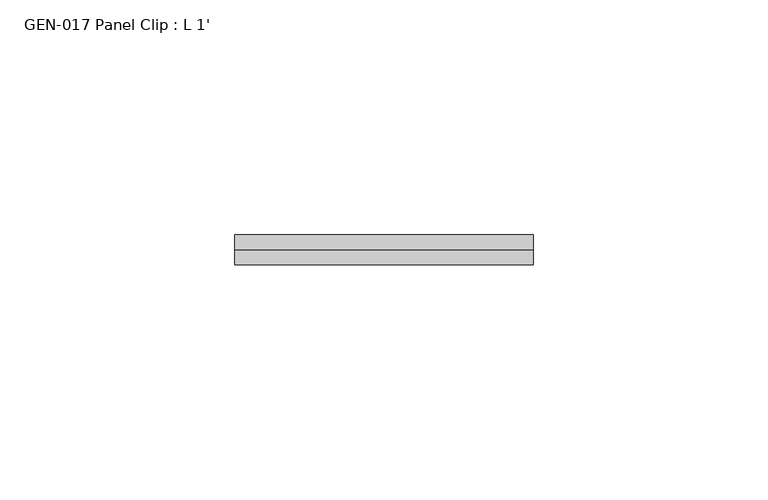
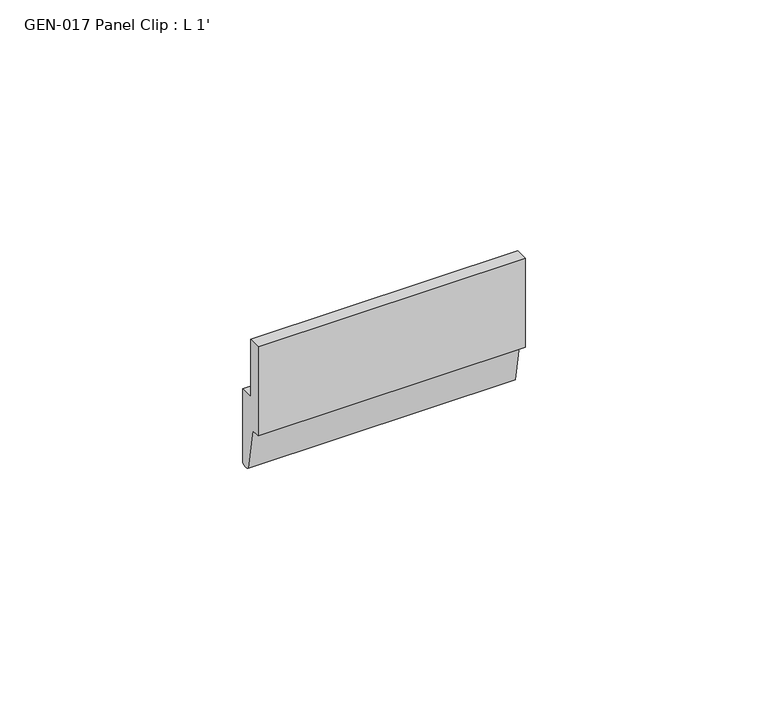
"""IFC4 building model written with IfcOpenShell, lengths in millimetres: proxy geometry, GEN-017 Panel Clip : L 1'."""

from ifc_helpers import new_model, si_unit, point, frame, frame_2d, origin, place, context, project, spatial, polyline, circle_curve, trimmed, segment, composite_curve, outline, extrude, source, transform, mapped, element, save


def gen_017_panel_clip_l_1_fe14be19(model_context):
    return source(origin(), model_context, "Body", "SweptSolid", [
        extrude(outline(composite_curve([segment(polyline([(0.8523814, -16.5581473), (-0.9585924, -5.9820604), (-3.1737506, -5.9820604), (-3.1737506, 16.4920635), (-0.0647494, 16.4920635), (-0.0647494, 2.0140635), (3.1737506, 2.0140635), (3.1737506, -16.4920635)]), True, "CONTINUOUS"), segment(trimmed(circle_curve(frame_2d((1.9810741, -15.4013058)), 1.6162393), [point((3.1737506, -16.4920635))], [point((0.8523814, -16.5581473))], False, "CARTESIAN"), True, "CONTINUOUS")], self_intersect=False)), frame((0.0, 0.0, 0.0), z_axis=(1.0, 0.0, 0.0), x_axis=(0.0, 1.0, 0.0)), (0.0, 0.0, 1.0), 63.5),
    ])


if __name__ == "__main__":
    model = new_model("IFC4")
    model_context = context("Model", 3, world=origin())
    ifc_project = project(units=[si_unit("LENGTHUNIT", "METRE", prefix="MILLI")], contexts=[model_context])
    site = spatial("IfcSite", under=ifc_project)
    building = spatial("IfcBuilding", under=site)
    placement = place(None, origin())
    gen_017_panel_clip_l_1_shape = gen_017_panel_clip_l_1_fe14be19(model_context)
    element("IfcBuildingElementProxy", 1, Name="GEN-017 Panel Clip : L 1'", ObjectType="GEN-017 Panel Clip : L 1'", at=placement, inside=building, context=model_context, shape_type="MappedRepresentation", body=[
        mapped(gen_017_panel_clip_l_1_shape, transform((0.0, 0.0, 0.0), x_axis=(1.0, 0.0, 0.0), y_axis=(0.0, 1.0, 0.0), z_axis=(0.0, 0.0, 1.0))),
    ])
    save(model, "model.ifc")
